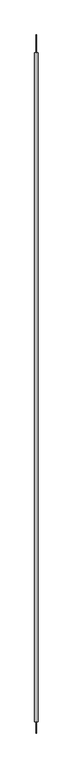
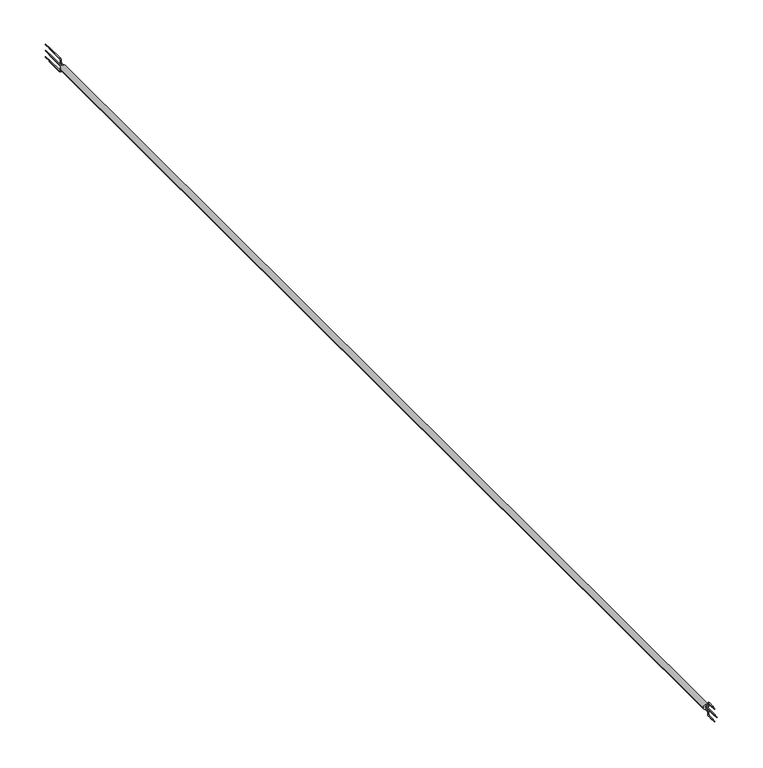
"""IFC4 building model written with IfcOpenShell, lengths in millimetres: proxy geometry."""

from ifc_helpers import new_model, si_unit, point, frame, origin, place, context, project, spatial, circle_curve, ellipse_curve, trimmed, source, transform, mapped, element, save
from ifc_brep_helpers import plane_surface, cylinder_surface, revolved_surface, advanced_brep


def generic_models_bc4eeb76(model_context):
    return source(origin(), model_context, "Body", "AdvancedBrep", [
        advanced_brep(
        [(3.85, 0.0, 0.0), (3.85, 1500.0, 0.0), (0.409828, 1500.0, 3.828125), (-0.409828, 1500.0, 3.828125), (-3.85, 1500.0, 0.0), (-3.85, 0.0, 0.0), (-0.409828, 0.0, 3.828125), (0.409828, 0.0, 3.828125), (-0.75, 1500.0, -3.2), (-0.75, 1503.0, -3.2), (0.0, 1503.0, -3.95), (0.75, 1503.0, -3.2), (0.75, 1500.0, -3.2), (0.409828, 1500.0, -3.828125), (-0.409828, 1500.0, -3.828125), (0.0, 1503.0, -2.45), (0.0, 1505.75, -5.2), (-0.75, 1505.0, -5.2), (0.0, 1504.25, -5.2), (-0.75, 1505.0, -7.0), (0.0, 1504.25, -7.0), (0.75, 1505.0, -7.0), (0.75, 1505.0, -5.2), (0.0, 1507.0, -9.75), (0.75, 1507.0, -9.0), (0.0, 1507.0, -8.25), (0.0, 1505.75, -7.0), (-0.75, 1507.0, -9.0), (-0.75, 1530.0, -9.0), (0.75, 1530.0, -9.0), (-0.75, 1500.0, 0.0), (-0.75, 1530.0, 0.0), (0.75, 1530.0, 0.0), (0.75, 1500.0, 0.0), (-0.35, 1530.0, 0.0), (-0.35, 1540.0, 0.0), (0.35, 1540.0, 0.0), (0.35, 1530.0, 0.0), (-0.35, 1530.0, -9.0), (-0.35, 1540.0, -9.0), (0.35, 1540.0, -9.0), (0.35, 1530.0, -9.0), (-0.75, 1500.0, 3.2), (-0.75, 1503.0, 3.2), (0.0, 1503.0, 2.45), (0.75, 1503.0, 3.2), (0.75, 1500.0, 3.2), (0.0, 1505.75, 5.2), (0.75, 1505.0, 5.2), (0.0, 1504.25, 5.2), (0.0, 1503.0, 3.95), (-0.75, 1505.0, 5.2), (-0.75, 1505.0, 7.0), (0.0, 1505.75, 7.0), (0.75, 1505.0, 7.0), (0.0, 1504.25, 7.0), (0.0, 1507.0, 9.75), (-0.75, 1507.0, 9.0), (0.0, 1507.0, 8.25), (-0.75, 1530.0, 9.0), (0.75, 1530.0, 9.0), (0.75, 1507.0, 9.0), (-0.35, 1530.0, 9.0), (-0.35, 1540.0, 9.0), (0.35, 1540.0, 9.0), (0.35, 1530.0, 9.0), (-0.75, 0.0, -3.2), (-0.75, -3.0, -3.2), (0.0, -3.0, -2.45), (0.75, -3.0, -3.2), (0.75, 0.0, -3.2), (0.0, -5.75, -5.2), (0.75, -5.0, -5.2), (0.0, -4.25, -5.2), (0.0, -3.0, -3.95), (-0.75, -5.0, -5.2), (-0.75, -5.0, -7.0), (0.0, -5.75, -7.0), (0.75, -5.0, -7.0), (0.0, -4.25, -7.0), (0.0, -7.0, -9.75), (-0.75, -7.0, -9.0), (0.0, -7.0, -8.25), (-0.75, -15.0, -9.0), (0.75, -15.0, -9.0), (0.75, -7.0, -9.0), (-0.35, -15.0, -9.0), (-0.35, -20.0, -9.0), (0.35, -20.0, -9.0), (0.35, -15.0, -9.0), (-0.75, 0.0, 0.0), (-0.75, -20.0, 0.0), (0.75, -20.0, 0.0), (0.75, 0.0, 0.0), (-0.35, -20.0, 0.0), (-0.35, -25.0, 0.0), (0.35, -25.0, 0.0), (0.35, -20.0, 0.0), (-0.75, 0.0, 3.2), (-0.75, -3.0, 3.2), (0.0, -3.0, 3.95), (0.75, -3.0, 3.2), (0.75, 0.0, 3.2), (0.0, -3.0, 2.45), (0.0, -5.75, 5.2), (-0.75, -5.0, 5.2), (0.0, -4.25, 5.2), (-0.75, -5.0, 7.0), (0.0, -4.25, 7.0), (0.75, -5.0, 7.0), (0.75, -5.0, 5.2), (0.0, -7.0, 9.75), (0.75, -7.0, 9.0), (0.0, -7.0, 8.25), (0.0, -5.75, 7.0), (-0.75, -7.0, 9.0), (-0.75, -15.0, 9.0), (0.75, -15.0, 9.0), (-0.35, -15.0, 9.0), (-0.35, -20.0, 9.0), (0.35, -20.0, 9.0), (0.35, -15.0, 9.0), (-0.409828, 0.0, -3.828125), (0.409828, 0.0, -3.828125)],
        [
            (0, 1),
            (1, 2, circle_curve(frame((0.0, 1500.0, 0.0), z_axis=(0.0, -1.0, 0.0), x_axis=(1.0, 0.0, 0.0)), 3.85)),
            (2, 3, circle_curve(frame((0.0, 1500.0, 0.0), z_axis=(0.0, -1.0, 0.0), x_axis=(1.0, 0.0, 0.0)), 3.85)),
            (3, 4, circle_curve(frame((0.0, 1500.0, 0.0), z_axis=(0.0, -1.0, 0.0), x_axis=(1.0, 0.0, 0.0)), 3.85)),
            (4, 5),
            (5, 6, circle_curve(frame((0.0, 0.0, 0.0), z_axis=(0.0, 1.0, 0.0), x_axis=(1.0, 0.0, 0.0)), 3.85)),
            (6, 7, circle_curve(frame((0.0, 0.0, 0.0), z_axis=(0.0, 1.0, 0.0), x_axis=(1.0, 0.0, 0.0)), 3.85)),
            (7, 0, circle_curve(frame((0.0, 0.0, 0.0), z_axis=(0.0, 1.0, 0.0), x_axis=(1.0, 0.0, 0.0)), 3.85)),
            (8, 9),
            (9, 10, circle_curve(frame((0.0, 1503.0, -3.2), z_axis=(0.0, -1.0, 0.0), x_axis=(-1.0, 0.0, 0.0)), 0.75)),
            (10, 11, circle_curve(frame((0.0, 1503.0, -3.2), z_axis=(0.0, -1.0, 0.0), x_axis=(-1.0, 0.0, 0.0)), 0.75)),
            (11, 12),
            (12, 13, circle_curve(frame((0.0, 1500.0, -3.2), z_axis=(0.0, 1.0, 0.0), x_axis=(-1.0, 0.0, 0.0)), 0.75)),
            (13, 14, circle_curve(frame((0.0, 1500.0, -3.2), z_axis=(0.0, 1.0, 0.0), x_axis=(-1.0, 0.0, 0.0)), 0.75)),
            (14, 8, circle_curve(frame((0.0, 1500.0, -3.2), z_axis=(0.0, 1.0, 0.0), x_axis=(-1.0, 0.0, 0.0)), 0.75)),
            (15, 16, circle_curve(frame((0.0, 1503.0, -5.2), z_axis=(-1.0, 0.0, 0.0), x_axis=(0.0, 0.0, 1.0)), 2.75)),
            (16, 17, circle_curve(frame((0.0, 1505.0, -5.2), z_axis=(0.0, 0.0, 1.0), x_axis=(0.0, 1.0, 0.0)), 0.75)),
            (17, 18, circle_curve(frame((0.0, 1505.0, -5.2), z_axis=(0.0, 0.0, 1.0), x_axis=(0.0, 1.0, 0.0)), 0.75)),
            (18, 10, circle_curve(frame((0.0, 1503.0, -5.2), z_axis=(1.0, 0.0, 0.0), x_axis=(0.0, 0.0, 1.0)), 1.25)),
            (9, 15, circle_curve(frame((0.0, 1503.0, -3.2), z_axis=(0.0, 1.0, 0.0), x_axis=(0.0, 0.0, 1.0)), 0.75)),
            (17, 19),
            (19, 20, circle_curve(frame((0.0, 1505.0, -7.0), z_axis=(0.0, 0.0, 1.0), x_axis=(-1.0, 0.0, 0.0)), 0.75)),
            (20, 21, circle_curve(frame((0.0, 1505.0, -7.0), z_axis=(0.0, 0.0, 1.0), x_axis=(-1.0, 0.0, 0.0)), 0.75)),
            (21, 22),
            (22, 18, circle_curve(frame((0.0, 1505.0, -5.2), z_axis=(0.0, 0.0, -1.0), x_axis=(-1.0, 0.0, 0.0)), 0.75)),
            (20, 23, circle_curve(frame((0.0, 1507.0, -7.0), z_axis=(1.0, 0.0, 0.0), x_axis=(0.0, -1.0, 0.0)), 2.75)),
            (23, 24, circle_curve(frame((0.0, 1507.0, -9.0), z_axis=(0.0, -1.0, 0.0), x_axis=(0.0, 0.0, -1.0)), 0.75)),
            (24, 25, circle_curve(frame((0.0, 1507.0, -9.0), z_axis=(0.0, -1.0, 0.0), x_axis=(0.0, 0.0, -1.0)), 0.75)),
            (25, 26, circle_curve(frame((0.0, 1507.0, -7.0), z_axis=(-1.0, 0.0, 0.0), x_axis=(0.0, -1.0, 0.0)), 1.25)),
            (26, 21, circle_curve(frame((0.0, 1505.0, -7.0), z_axis=(0.0, 0.0, -1.0), x_axis=(0.0, -1.0, 0.0)), 0.75)),
            (27, 28),
            (28, 29, circle_curve(frame((0.0, 1530.0, -9.0), z_axis=(0.0, -1.0, 0.0), x_axis=(-1.0, 0.0, 0.0)), 0.75)),
            (29, 24),
            (23, 27, circle_curve(frame((0.0, 1507.0, -9.0), z_axis=(0.0, 1.0, 0.0), x_axis=(-1.0, 0.0, 0.0)), 0.75)),
            (30, 31),
            (31, 32, circle_curve(frame((0.0, 1530.0, 0.0), z_axis=(0.0, -1.0, 0.0), x_axis=(-1.0, 0.0, 0.0)), 0.75)),
            (32, 33),
            (33, 30, circle_curve(frame((0.0, 1500.0, 0.0), z_axis=(0.0, 1.0, 0.0), x_axis=(-1.0, 0.0, 0.0)), 0.75)),
            (34, 35),
            (35, 36, circle_curve(frame((0.0, 1540.0, 0.0), z_axis=(0.0, -1.0, 0.0), x_axis=(-1.0, 0.0, 0.0)), 0.35)),
            (36, 37),
            (37, 34, circle_curve(frame((0.0, 1530.0, 0.0), z_axis=(0.0, 1.0, 0.0), x_axis=(-1.0, 0.0, 0.0)), 0.35)),
            (38, 39),
            (39, 40, circle_curve(frame((0.0, 1540.0, -9.0), z_axis=(0.0, -1.0, 0.0), x_axis=(-1.0, 0.0, 0.0)), 0.35)),
            (40, 41),
            (41, 38, circle_curve(frame((0.0, 1530.0, -9.0), z_axis=(0.0, 1.0, 0.0), x_axis=(-1.0, 0.0, 0.0)), 0.35)),
            (42, 43),
            (43, 44, circle_curve(frame((0.0, 1503.0, 3.2), z_axis=(0.0, -1.0, 0.0), x_axis=(-1.0, 0.0, 0.0)), 0.75)),
            (44, 45, circle_curve(frame((0.0, 1503.0, 3.2), z_axis=(0.0, -1.0, 0.0), x_axis=(-1.0, 0.0, 0.0)), 0.75)),
            (45, 46),
            (46, 42, circle_curve(frame((0.0, 1500.0, 3.2), z_axis=(0.0, 1.0, 0.0), x_axis=(-1.0, 0.0, 0.0)), 0.75)),
            (44, 47, circle_curve(frame((0.0, 1503.0, 5.2), z_axis=(1.0, 0.0, 0.0), x_axis=(0.0, 0.0, -1.0)), 2.75)),
            (47, 48, circle_curve(frame((0.0, 1505.0, 5.2), z_axis=(0.0, 0.0, -1.0), x_axis=(0.0, 1.0, 0.0)), 0.75)),
            (48, 49, circle_curve(frame((0.0, 1505.0, 5.2), z_axis=(0.0, 0.0, -1.0), x_axis=(0.0, 1.0, 0.0)), 0.75)),
            (49, 50, circle_curve(frame((0.0, 1503.0, 5.2), z_axis=(-1.0, 0.0, 0.0), x_axis=(0.0, 0.0, -1.0)), 1.25)),
            (50, 45, circle_curve(frame((0.0, 1503.0, 3.2), z_axis=(0.0, 1.0, 0.0), x_axis=(0.0, 0.0, -1.0)), 0.75)),
            (51, 52),
            (52, 53, circle_curve(frame((0.0, 1505.0, 7.0), z_axis=(0.0, 0.0, -1.0), x_axis=(-1.0, 0.0, 0.0)), 0.75)),
            (53, 54, circle_curve(frame((0.0, 1505.0, 7.0), z_axis=(0.0, 0.0, -1.0), x_axis=(-1.0, 0.0, 0.0)), 0.75)),
            (54, 48),
            (47, 51, circle_curve(frame((0.0, 1505.0, 5.2), z_axis=(0.0, 0.0, 1.0), x_axis=(-1.0, 0.0, 0.0)), 0.75)),
            (55, 56, circle_curve(frame((0.0, 1507.0, 7.0), z_axis=(-1.0, 0.0, 0.0), x_axis=(0.0, -1.0, 0.0)), 2.75)),
            (56, 57, circle_curve(frame((0.0, 1507.0, 9.0), z_axis=(0.0, -1.0, 0.0), x_axis=(0.0, 0.0, 1.0)), 0.75)),
            (57, 58, circle_curve(frame((0.0, 1507.0, 9.0), z_axis=(0.0, -1.0, 0.0), x_axis=(0.0, 0.0, 1.0)), 0.75)),
            (58, 53, circle_curve(frame((0.0, 1507.0, 7.0), z_axis=(1.0, 0.0, 0.0), x_axis=(0.0, -1.0, 0.0)), 1.25)),
            (52, 55, circle_curve(frame((0.0, 1505.0, 7.0), z_axis=(0.0, 0.0, 1.0), x_axis=(0.0, -1.0, 0.0)), 0.75)),
            (57, 59),
            (59, 60, circle_curve(frame((0.0, 1530.0, 9.0), z_axis=(0.0, -1.0, 0.0), x_axis=(-1.0, 0.0, 0.0)), 0.75)),
            (60, 61),
            (61, 58, circle_curve(frame((0.0, 1507.0, 9.0), z_axis=(0.0, 1.0, 0.0), x_axis=(-1.0, 0.0, 0.0)), 0.75)),
            (62, 63),
            (63, 64, circle_curve(frame((0.0, 1540.0, 9.0), z_axis=(0.0, -1.0, 0.0), x_axis=(-1.0, 0.0, 0.0)), 0.35)),
            (64, 65),
            (65, 62, circle_curve(frame((0.0, 1530.0, 9.0), z_axis=(0.0, 1.0, 0.0), x_axis=(-1.0, 0.0, 0.0)), 0.35)),
            (66, 67),
            (67, 68, circle_curve(frame((0.0, -3.0, -3.2), z_axis=(0.0, 1.0, 0.0), x_axis=(-1.0, 0.0, 0.0)), 0.75)),
            (68, 69, circle_curve(frame((0.0, -3.0, -3.2), z_axis=(0.0, 1.0, 0.0), x_axis=(-1.0, 0.0, 0.0)), 0.75)),
            (69, 70),
            (70, 66, circle_curve(frame((0.0, 0.0, -3.2), z_axis=(0.0, -1.0, 0.0), x_axis=(-1.0, 0.0, 0.0)), 0.75)),
            (68, 71, circle_curve(frame((0.0, -3.0, -5.2), z_axis=(1.0, 0.0, 0.0), x_axis=(0.0, 0.0, 1.0)), 2.75)),
            (71, 72, circle_curve(frame((0.0, -5.0, -5.2), z_axis=(0.0, 0.0, 1.0), x_axis=(0.0, -1.0, 0.0)), 0.75)),
            (72, 73, circle_curve(frame((0.0, -5.0, -5.2), z_axis=(0.0, 0.0, 1.0), x_axis=(0.0, -1.0, 0.0)), 0.75)),
            (73, 74, circle_curve(frame((0.0, -3.0, -5.2), z_axis=(-1.0, 0.0, 0.0), x_axis=(0.0, 0.0, 1.0)), 1.25)),
            (74, 69, circle_curve(frame((0.0, -3.0, -3.2), z_axis=(0.0, -1.0, 0.0), x_axis=(0.0, 0.0, 1.0)), 0.75)),
            (75, 76),
            (76, 77, circle_curve(frame((0.0, -5.0, -7.0), z_axis=(0.0, 0.0, 1.0), x_axis=(-1.0, 0.0, 0.0)), 0.75)),
            (77, 78, circle_curve(frame((0.0, -5.0, -7.0), z_axis=(0.0, 0.0, 1.0), x_axis=(-1.0, 0.0, 0.0)), 0.75)),
            (78, 72),
            (71, 75, circle_curve(frame((0.0, -5.0, -5.2), z_axis=(0.0, 0.0, -1.0), x_axis=(-1.0, 0.0, 0.0)), 0.75)),
            (79, 80, circle_curve(frame((0.0, -7.0, -7.0), z_axis=(-1.0, 0.0, 0.0), x_axis=(0.0, 1.0, 0.0)), 2.75)),
            (80, 81, circle_curve(frame((0.0, -7.0, -9.0), z_axis=(0.0, 1.0, 0.0), x_axis=(0.0, 0.0, -1.0)), 0.75)),
            (81, 82, circle_curve(frame((0.0, -7.0, -9.0), z_axis=(0.0, 1.0, 0.0), x_axis=(0.0, 0.0, -1.0)), 0.75)),
            (82, 77, circle_curve(frame((0.0, -7.0, -7.0), z_axis=(1.0, 0.0, 0.0), x_axis=(0.0, 1.0, 0.0)), 1.25)),
            (76, 79, circle_curve(frame((0.0, -5.0, -7.0), z_axis=(0.0, 0.0, -1.0), x_axis=(0.0, 1.0, 0.0)), 0.75)),
            (81, 83),
            (83, 84, circle_curve(frame((0.0, -15.0, -9.0), z_axis=(0.0, 1.0, 0.0), x_axis=(-1.0, 0.0, 0.0)), 0.75)),
            (84, 85),
            (85, 82, circle_curve(frame((0.0, -7.0, -9.0), z_axis=(0.0, -1.0, 0.0), x_axis=(-1.0, 0.0, 0.0)), 0.75)),
            (86, 87),
            (87, 88, circle_curve(frame((0.0, -20.0, -9.0), z_axis=(0.0, 1.0, 0.0), x_axis=(-1.0, 0.0, 0.0)), 0.35)),
            (88, 89),
            (89, 86, circle_curve(frame((0.0, -15.0, -9.0), z_axis=(0.0, -1.0, 0.0), x_axis=(-1.0, 0.0, 0.0)), 0.35)),
            (90, 91),
            (91, 92, circle_curve(frame((0.0, -20.0, 0.0), z_axis=(0.0, 1.0, 0.0), x_axis=(-1.0, 0.0, 0.0)), 0.75)),
            (92, 93),
            (93, 90, circle_curve(frame((0.0, 0.0, 0.0), z_axis=(0.0, -1.0, 0.0), x_axis=(-1.0, 0.0, 0.0)), 0.75)),
            (94, 95),
            (95, 96, circle_curve(frame((0.0, -25.0, 0.0), z_axis=(0.0, 1.0, 0.0), x_axis=(-1.0, 0.0, 0.0)), 0.35)),
            (96, 97),
            (97, 94, circle_curve(frame((0.0, -20.0, 0.0), z_axis=(0.0, -1.0, 0.0), x_axis=(-1.0, 0.0, 0.0)), 0.35)),
            (98, 99),
            (99, 100, circle_curve(frame((0.0, -3.0, 3.2), z_axis=(0.0, 1.0, 0.0), x_axis=(-1.0, 0.0, 0.0)), 0.75)),
            (100, 101, circle_curve(frame((0.0, -3.0, 3.2), z_axis=(0.0, 1.0, 0.0), x_axis=(-1.0, 0.0, 0.0)), 0.75)),
            (101, 102),
            (102, 7, circle_curve(frame((0.0, 0.0, 3.2), z_axis=(0.0, -1.0, 0.0), x_axis=(-1.0, 0.0, 0.0)), 0.75)),
            (7, 6, circle_curve(frame((0.0, 0.0, 3.2), z_axis=(0.0, -1.0, 0.0), x_axis=(-1.0, 0.0, 0.0)), 0.75)),
            (6, 98, circle_curve(frame((0.0, 0.0, 3.2), z_axis=(0.0, -1.0, 0.0), x_axis=(-1.0, 0.0, 0.0)), 0.75)),
            (103, 104, circle_curve(frame((0.0, -3.0, 5.2), z_axis=(-1.0, 0.0, 0.0), x_axis=(0.0, 0.0, -1.0)), 2.75)),
            (104, 105, circle_curve(frame((0.0, -5.0, 5.2), z_axis=(0.0, 0.0, -1.0), x_axis=(0.0, -1.0, 0.0)), 0.75)),
            (105, 106, circle_curve(frame((0.0, -5.0, 5.2), z_axis=(0.0, 0.0, -1.0), x_axis=(0.0, -1.0, 0.0)), 0.75)),
            (106, 100, circle_curve(frame((0.0, -3.0, 5.2), z_axis=(1.0, 0.0, 0.0), x_axis=(0.0, 0.0, -1.0)), 1.25)),
            (99, 103, circle_curve(frame((0.0, -3.0, 3.2), z_axis=(0.0, -1.0, 0.0), x_axis=(0.0, 0.0, -1.0)), 0.75)),
            (105, 107),
            (107, 108, circle_curve(frame((0.0, -5.0, 7.0), z_axis=(0.0, 0.0, -1.0), x_axis=(-1.0, 0.0, 0.0)), 0.75)),
            (108, 109, circle_curve(frame((0.0, -5.0, 7.0), z_axis=(0.0, 0.0, -1.0), x_axis=(-1.0, 0.0, 0.0)), 0.75)),
            (109, 110),
            (110, 106, circle_curve(frame((0.0, -5.0, 5.2), z_axis=(0.0, 0.0, 1.0), x_axis=(-1.0, 0.0, 0.0)), 0.75)),
            (108, 111, circle_curve(frame((0.0, -7.0, 7.0), z_axis=(1.0, 0.0, 0.0), x_axis=(0.0, 1.0, 0.0)), 2.75)),
            (111, 112, circle_curve(frame((0.0, -7.0, 9.0), z_axis=(0.0, 1.0, 0.0), x_axis=(0.0, 0.0, 1.0)), 0.75)),
            (112, 113, circle_curve(frame((0.0, -7.0, 9.0), z_axis=(0.0, 1.0, 0.0), x_axis=(0.0, 0.0, 1.0)), 0.75)),
            (113, 114, circle_curve(frame((0.0, -7.0, 7.0), z_axis=(-1.0, 0.0, 0.0), x_axis=(0.0, 1.0, 0.0)), 1.25)),
            (114, 109, circle_curve(frame((0.0, -5.0, 7.0), z_axis=(0.0, 0.0, 1.0), x_axis=(0.0, 1.0, 0.0)), 0.75)),
            (115, 116),
            (116, 117, circle_curve(frame((0.0, -15.0, 9.0), z_axis=(0.0, 1.0, 0.0), x_axis=(-1.0, 0.0, 0.0)), 0.75)),
            (117, 112),
            (111, 115, circle_curve(frame((0.0, -7.0, 9.0), z_axis=(0.0, -1.0, 0.0), x_axis=(-1.0, 0.0, 0.0)), 0.75)),
            (118, 119),
            (119, 120, circle_curve(frame((0.0, -20.0, 9.0), z_axis=(0.0, 1.0, 0.0), x_axis=(-1.0, 0.0, 0.0)), 0.35)),
            (120, 121),
            (121, 118, circle_curve(frame((0.0, -15.0, 9.0), z_axis=(0.0, -1.0, 0.0), x_axis=(-1.0, 0.0, 0.0)), 0.35)),
            (118, 121, circle_curve(frame((0.0, -15.0, 9.0), z_axis=(0.0, -1.0, 0.0), x_axis=(-1.0, 0.0, 0.0)), 0.35)),
            (120, 119, circle_curve(frame((0.0, -20.0, 9.0), z_axis=(0.0, 1.0, 0.0), x_axis=(-1.0, 0.0, 0.0)), 0.35)),
            (115, 113, circle_curve(frame((0.0, -7.0, 9.0), z_axis=(0.0, -1.0, 0.0), x_axis=(-1.0, 0.0, 0.0)), 0.75)),
            (117, 116, circle_curve(frame((0.0, -15.0, 9.0), z_axis=(0.0, 1.0, 0.0), x_axis=(-1.0, 0.0, 0.0)), 0.75)),
            (107, 114, circle_curve(frame((0.0, -5.0, 7.0), z_axis=(0.0, 0.0, 1.0), x_axis=(0.0, 1.0, 0.0)), 0.75)),
            (104, 110, circle_curve(frame((0.0, -5.0, 5.2), z_axis=(0.0, 0.0, 1.0), x_axis=(-1.0, 0.0, 0.0)), 0.75)),
            (103, 101, circle_curve(frame((0.0, -3.0, 3.2), z_axis=(0.0, -1.0, 0.0), x_axis=(0.0, 0.0, -1.0)), 0.75)),
            (98, 102, circle_curve(frame((0.0, 0.0, 3.2), z_axis=(0.0, -1.0, 0.0), x_axis=(-1.0, 0.0, 0.0)), 0.75)),
            (94, 97, circle_curve(frame((0.0, -20.0, 0.0), z_axis=(0.0, -1.0, 0.0), x_axis=(-1.0, 0.0, 0.0)), 0.35)),
            (96, 95, circle_curve(frame((0.0, -25.0, 0.0), z_axis=(0.0, 1.0, 0.0), x_axis=(-1.0, 0.0, 0.0)), 0.35)),
            (90, 93, circle_curve(frame((0.0, 0.0, 0.0), z_axis=(0.0, -1.0, 0.0), x_axis=(-1.0, 0.0, 0.0)), 0.75)),
            (92, 91, circle_curve(frame((0.0, -20.0, 0.0), z_axis=(0.0, 1.0, 0.0), x_axis=(-1.0, 0.0, 0.0)), 0.75)),
            (86, 89, circle_curve(frame((0.0, -15.0, -9.0), z_axis=(0.0, -1.0, 0.0), x_axis=(-1.0, 0.0, 0.0)), 0.35)),
            (88, 87, circle_curve(frame((0.0, -20.0, -9.0), z_axis=(0.0, 1.0, 0.0), x_axis=(-1.0, 0.0, 0.0)), 0.35)),
            (80, 85, circle_curve(frame((0.0, -7.0, -9.0), z_axis=(0.0, -1.0, 0.0), x_axis=(-1.0, 0.0, 0.0)), 0.75)),
            (84, 83, circle_curve(frame((0.0, -15.0, -9.0), z_axis=(0.0, 1.0, 0.0), x_axis=(-1.0, 0.0, 0.0)), 0.75)),
            (79, 78, circle_curve(frame((0.0, -5.0, -7.0), z_axis=(0.0, 0.0, -1.0), x_axis=(0.0, 1.0, 0.0)), 0.75)),
            (75, 73, circle_curve(frame((0.0, -5.0, -5.2), z_axis=(0.0, 0.0, -1.0), x_axis=(-1.0, 0.0, 0.0)), 0.75)),
            (67, 74, circle_curve(frame((0.0, -3.0, -3.2), z_axis=(0.0, -1.0, 0.0), x_axis=(0.0, 0.0, 1.0)), 0.75)),
            (66, 122, circle_curve(frame((0.0, 0.0, -3.2), z_axis=(0.0, -1.0, 0.0), x_axis=(-1.0, 0.0, 0.0)), 0.75)),
            (122, 123, circle_curve(frame((0.0, 0.0, -3.2), z_axis=(0.0, -1.0, 0.0), x_axis=(-1.0, 0.0, 0.0)), 0.75)),
            (123, 70, circle_curve(frame((0.0, 0.0, -3.2), z_axis=(0.0, -1.0, 0.0), x_axis=(-1.0, 0.0, 0.0)), 0.75)),
            (122, 123, circle_curve(frame((0.0, 0.0, 0.0), z_axis=(0.0, -1.0, 0.0), x_axis=(1.0, 0.0, 0.0)), 3.85)),
            (62, 65, circle_curve(frame((0.0, 1530.0, 9.0), z_axis=(0.0, 1.0, 0.0), x_axis=(-1.0, 0.0, 0.0)), 0.35)),
            (64, 63, circle_curve(frame((0.0, 1540.0, 9.0), z_axis=(0.0, -1.0, 0.0), x_axis=(-1.0, 0.0, 0.0)), 0.35)),
            (56, 61, circle_curve(frame((0.0, 1507.0, 9.0), z_axis=(0.0, 1.0, 0.0), x_axis=(-1.0, 0.0, 0.0)), 0.75)),
            (60, 59, circle_curve(frame((0.0, 1530.0, 9.0), z_axis=(0.0, -1.0, 0.0), x_axis=(-1.0, 0.0, 0.0)), 0.75)),
            (55, 54, circle_curve(frame((0.0, 1505.0, 7.0), z_axis=(0.0, 0.0, 1.0), x_axis=(0.0, -1.0, 0.0)), 0.75)),
            (51, 49, circle_curve(frame((0.0, 1505.0, 5.2), z_axis=(0.0, 0.0, 1.0), x_axis=(-1.0, 0.0, 0.0)), 0.75)),
            (43, 50, circle_curve(frame((0.0, 1503.0, 3.2), z_axis=(0.0, 1.0, 0.0), x_axis=(0.0, 0.0, -1.0)), 0.75)),
            (42, 3, circle_curve(frame((0.0, 1500.0, 3.2), z_axis=(0.0, 1.0, 0.0), x_axis=(-1.0, 0.0, 0.0)), 0.75)),
            (3, 2, circle_curve(frame((0.0, 1500.0, 3.2), z_axis=(0.0, 1.0, 0.0), x_axis=(-1.0, 0.0, 0.0)), 0.75)),
            (2, 46, circle_curve(frame((0.0, 1500.0, 3.2), z_axis=(0.0, 1.0, 0.0), x_axis=(-1.0, 0.0, 0.0)), 0.75)),
            (38, 41, circle_curve(frame((0.0, 1530.0, -9.0), z_axis=(0.0, 1.0, 0.0), x_axis=(-1.0, 0.0, 0.0)), 0.35)),
            (40, 39, circle_curve(frame((0.0, 1540.0, -9.0), z_axis=(0.0, -1.0, 0.0), x_axis=(-1.0, 0.0, 0.0)), 0.35)),
            (34, 37, circle_curve(frame((0.0, 1530.0, 0.0), z_axis=(0.0, 1.0, 0.0), x_axis=(-1.0, 0.0, 0.0)), 0.35)),
            (36, 35, circle_curve(frame((0.0, 1540.0, 0.0), z_axis=(0.0, -1.0, 0.0), x_axis=(-1.0, 0.0, 0.0)), 0.35)),
            (30, 33, circle_curve(frame((0.0, 1500.0, 0.0), z_axis=(0.0, 1.0, 0.0), x_axis=(-1.0, 0.0, 0.0)), 0.75)),
            (32, 31, circle_curve(frame((0.0, 1530.0, 0.0), z_axis=(0.0, -1.0, 0.0), x_axis=(-1.0, 0.0, 0.0)), 0.75)),
            (27, 25, circle_curve(frame((0.0, 1507.0, -9.0), z_axis=(0.0, 1.0, 0.0), x_axis=(-1.0, 0.0, 0.0)), 0.75)),
            (29, 28, circle_curve(frame((0.0, 1530.0, -9.0), z_axis=(0.0, -1.0, 0.0), x_axis=(-1.0, 0.0, 0.0)), 0.75)),
            (19, 26, circle_curve(frame((0.0, 1505.0, -7.0), z_axis=(0.0, 0.0, -1.0), x_axis=(0.0, -1.0, 0.0)), 0.75)),
            (16, 22, circle_curve(frame((0.0, 1505.0, -5.2), z_axis=(0.0, 0.0, -1.0), x_axis=(-1.0, 0.0, 0.0)), 0.75)),
            (15, 11, circle_curve(frame((0.0, 1503.0, -3.2), z_axis=(0.0, 1.0, 0.0), x_axis=(0.0, 0.0, 1.0)), 0.75)),
            (8, 12, circle_curve(frame((0.0, 1500.0, -3.2), z_axis=(0.0, 1.0, 0.0), x_axis=(-1.0, 0.0, 0.0)), 0.75)),
            (13, 14, circle_curve(frame((0.0, 1500.0, 0.0), z_axis=(0.0, 1.0, 0.0), x_axis=(1.0, 0.0, 0.0)), 3.85)),
            (0, 123, circle_curve(frame((0.0, 0.0, 0.0), z_axis=(0.0, 1.0, 0.0), x_axis=(1.0, 0.0, 0.0)), 3.85)),
            (122, 5, circle_curve(frame((0.0, 0.0, 0.0), z_axis=(0.0, 1.0, 0.0), x_axis=(1.0, 0.0, 0.0)), 3.85)),
            (4, 14, circle_curve(frame((0.0, 1500.0, 0.0), z_axis=(0.0, -1.0, 0.0), x_axis=(1.0, 0.0, 0.0)), 3.85)),
            (13, 1, circle_curve(frame((0.0, 1500.0, 0.0), z_axis=(0.0, -1.0, 0.0), x_axis=(1.0, 0.0, 0.0)), 3.85)),
        ],
        [
            cylinder_surface(frame((0.0, 0.0, 0.0), z_axis=(0.0, 1.0, 0.0), x_axis=(1.0, 0.0, 0.0)), 3.85),
            cylinder_surface(frame((0.0, 1500.0, -3.2), z_axis=(0.0, 1.0, 0.0), x_axis=(-1.0, 0.0, 0.0)), 0.75),
            revolved_surface(trimmed(ellipse_curve(frame((0.0, 1503.0, -3.2), z_axis=(0.0, -1.0, 0.0), x_axis=(0.0, 0.0, 1.0)), 0.75, 0.75), [point((0.0, 1503.0, -2.45))], [point((0.0, 1503.0, -3.95))], True, "CARTESIAN"), (0.0, 1503.0, -5.2), (-1.0, 0.0, 0.0)),
            cylinder_surface(frame((0.0, 1505.0, -5.2), z_axis=(0.0, 0.0, -1.0), x_axis=(-1.0, 0.0, 0.0)), 0.75),
            revolved_surface(trimmed(ellipse_curve(frame((0.0, 1505.0, -7.0), z_axis=(0.0, 0.0, 1.0), x_axis=(0.0, -1.0, 0.0)), 0.75, 0.75), [point((0.0, 1504.25, -7.0))], [point((0.0, 1505.75, -7.0))], True, "CARTESIAN"), (0.0, 1507.0, -7.0), (1.0, 0.0, 0.0)),
            cylinder_surface(frame((0.0, 1507.0, -9.0), z_axis=(0.0, 1.0, 0.0), x_axis=(-1.0, 0.0, 0.0)), 0.75),
            cylinder_surface(frame((0.0, 1500.0, 0.0), z_axis=(0.0, 1.0, 0.0), x_axis=(-1.0, 0.0, 0.0)), 0.75),
            cylinder_surface(frame((0.0, 1530.0, 0.0), z_axis=(0.0, 1.0, 0.0), x_axis=(-1.0, 0.0, 0.0)), 0.35),
            cylinder_surface(frame((0.0, 1530.0, -9.0), z_axis=(0.0, 1.0, 0.0), x_axis=(-1.0, 0.0, 0.0)), 0.35),
            cylinder_surface(frame((0.0, 1500.0, 3.2), z_axis=(0.0, -1.0, 0.0), x_axis=(-1.0, 0.0, 0.0)), 0.75),
            revolved_surface(trimmed(ellipse_curve(frame((0.0, 1503.0, 3.2), z_axis=(0.0, -1.0, 0.0), x_axis=(0.0, 0.0, -1.0)), 0.75, 0.75), [point((0.0, 1503.0, 2.45))], [point((0.0, 1503.0, 3.95))], True, "CARTESIAN"), (0.0, 1503.0, 5.2), (1.0, 0.0, 0.0)),
            cylinder_surface(frame((0.0, 1505.0, 5.2), z_axis=(0.0, 0.0, -1.0), x_axis=(-1.0, 0.0, 0.0)), 0.75),
            revolved_surface(trimmed(ellipse_curve(frame((0.0, 1505.0, 7.0), z_axis=(0.0, 0.0, -1.0), x_axis=(0.0, -1.0, 0.0)), 0.75, 0.75), [point((0.0, 1504.25, 7.0))], [point((0.0, 1505.75, 7.0))], True, "CARTESIAN"), (0.0, 1507.0, 7.0), (-1.0, 0.0, 0.0)),
            cylinder_surface(frame((0.0, 1507.0, 9.0), z_axis=(0.0, -1.0, 0.0), x_axis=(-1.0, 0.0, 0.0)), 0.75),
            cylinder_surface(frame((0.0, 1530.0, 9.0), z_axis=(0.0, -1.0, 0.0), x_axis=(-1.0, 0.0, 0.0)), 0.35),
            cylinder_surface(frame((0.0, 0.0, -3.2), z_axis=(0.0, 1.0, 0.0), x_axis=(-1.0, 0.0, 0.0)), 0.75),
            revolved_surface(trimmed(ellipse_curve(frame((0.0, -3.0, -3.2), z_axis=(0.0, 1.0, 0.0), x_axis=(0.0, 0.0, 1.0)), 0.75, 0.75), [point((0.0, -3.0, -2.45))], [point((0.0, -3.0, -3.95))], True, "CARTESIAN"), (0.0, -3.0, -5.2), (1.0, 0.0, 0.0)),
            cylinder_surface(frame((0.0, -5.0, -5.2), z_axis=(0.0, 0.0, 1.0), x_axis=(-1.0, 0.0, 0.0)), 0.75),
            revolved_surface(trimmed(ellipse_curve(frame((0.0, -5.0, -7.0), z_axis=(0.0, 0.0, 1.0), x_axis=(0.0, 1.0, 0.0)), 0.75, 0.75), [point((0.0, -4.25, -7.0))], [point((0.0, -5.75, -7.0))], True, "CARTESIAN"), (0.0, -7.0, -7.0), (-1.0, 0.0, 0.0)),
            cylinder_surface(frame((0.0, -7.0, -9.0), z_axis=(0.0, 1.0, 0.0), x_axis=(-1.0, 0.0, 0.0)), 0.75),
            cylinder_surface(frame((0.0, -15.0, -9.0), z_axis=(0.0, 1.0, 0.0), x_axis=(-1.0, 0.0, 0.0)), 0.35),
            cylinder_surface(frame((0.0, 0.0, 0.0), z_axis=(0.0, 1.0, 0.0), x_axis=(-1.0, 0.0, 0.0)), 0.75),
            cylinder_surface(frame((0.0, -20.0, 0.0), z_axis=(0.0, 1.0, 0.0), x_axis=(-1.0, 0.0, 0.0)), 0.35),
            cylinder_surface(frame((0.0, 0.0, 3.2), z_axis=(0.0, -1.0, 0.0), x_axis=(-1.0, 0.0, 0.0)), 0.75),
            revolved_surface(trimmed(ellipse_curve(frame((0.0, -3.0, 3.2), z_axis=(0.0, 1.0, 0.0), x_axis=(0.0, 0.0, -1.0)), 0.75, 0.75), [point((0.0, -3.0, 2.45))], [point((0.0, -3.0, 3.95))], True, "CARTESIAN"), (0.0, -3.0, 5.2), (-1.0, 0.0, 0.0)),
            cylinder_surface(frame((0.0, -5.0, 5.2), z_axis=(0.0, 0.0, 1.0), x_axis=(-1.0, 0.0, 0.0)), 0.75),
            revolved_surface(trimmed(ellipse_curve(frame((0.0, -5.0, 7.0), z_axis=(0.0, 0.0, -1.0), x_axis=(0.0, 1.0, 0.0)), 0.75, 0.75), [point((0.0, -4.25, 7.0))], [point((0.0, -5.75, 7.0))], True, "CARTESIAN"), (0.0, -7.0, 7.0), (1.0, 0.0, 0.0)),
            cylinder_surface(frame((0.0, -7.0, 9.0), z_axis=(0.0, -1.0, 0.0), x_axis=(-1.0, 0.0, 0.0)), 0.75),
            cylinder_surface(frame((0.0, -15.0, 9.0), z_axis=(0.0, -1.0, 0.0), x_axis=(-1.0, 0.0, 0.0)), 0.35),
            plane_surface(frame((0.0, -20.0, 9.0), z_axis=(0.0, -1.0, 0.0), x_axis=(0.0, 0.0, -1.0))),
            revolved_surface(trimmed(ellipse_curve(frame((0.0, -5.0, 7.0), z_axis=(0.0, 0.0, -1.0), x_axis=(0.0, 1.0, 0.0)), 0.75, 0.75), [point((0.0, -5.75, 7.0))], [point((0.0, -4.25, 7.0))], True, "CARTESIAN"), (0.0, -7.0, 7.0), (1.0, 0.0, 0.0)),
            revolved_surface(trimmed(ellipse_curve(frame((0.0, -3.0, 3.2), z_axis=(0.0, 1.0, 0.0), x_axis=(0.0, 0.0, -1.0)), 0.75, 0.75), [point((0.0, -3.0, 3.95))], [point((0.0, -3.0, 2.45))], True, "CARTESIAN"), (0.0, -3.0, 5.2), (-1.0, 0.0, 0.0)),
            plane_surface(frame((0.0, -15.0, 9.0), z_axis=(0.0, -1.0, 0.0), x_axis=(0.0, 0.0, -1.0))),
            plane_surface(frame((0.0, 0.0, 3.2), z_axis=(0.0, 1.0, 0.0), x_axis=(0.0, 0.0, -1.0))),
            plane_surface(frame((0.0, -25.0, 0.0), z_axis=(0.0, -1.0, 0.0), x_axis=(0.0, 0.0, 1.0))),
            plane_surface(frame((0.0, -20.0, 0.0), z_axis=(0.0, -1.0, 0.0), x_axis=(0.0, 0.0, 1.0))),
            plane_surface(frame((0.0, -20.0, -9.0), z_axis=(0.0, -1.0, 0.0), x_axis=(0.0, 0.0, 1.0))),
            revolved_surface(trimmed(ellipse_curve(frame((0.0, -5.0, -7.0), z_axis=(0.0, 0.0, 1.0), x_axis=(0.0, 1.0, 0.0)), 0.75, 0.75), [point((0.0, -5.75, -7.0))], [point((0.0, -4.25, -7.0))], True, "CARTESIAN"), (0.0, -7.0, -7.0), (-1.0, 0.0, 0.0)),
            revolved_surface(trimmed(ellipse_curve(frame((0.0, -3.0, -3.2), z_axis=(0.0, 1.0, 0.0), x_axis=(0.0, 0.0, 1.0)), 0.75, 0.75), [point((0.0, -3.0, -3.95))], [point((0.0, -3.0, -2.45))], True, "CARTESIAN"), (0.0, -3.0, -5.2), (1.0, 0.0, 0.0)),
            plane_surface(frame((0.0, -15.0, -9.0), z_axis=(0.0, -1.0, 0.0), x_axis=(0.0, 0.0, 1.0))),
            plane_surface(frame((0.0, 0.0, -3.2), z_axis=(0.0, 1.0, 0.0), x_axis=(0.0, 0.0, 1.0))),
            plane_surface(frame((0.0, 1540.0, 9.0), z_axis=(0.0, 1.0, 0.0), x_axis=(0.0, 0.0, -1.0))),
            revolved_surface(trimmed(ellipse_curve(frame((0.0, 1505.0, 7.0), z_axis=(0.0, 0.0, -1.0), x_axis=(0.0, -1.0, 0.0)), 0.75, 0.75), [point((0.0, 1505.75, 7.0))], [point((0.0, 1504.25, 7.0))], True, "CARTESIAN"), (0.0, 1507.0, 7.0), (-1.0, 0.0, 0.0)),
            revolved_surface(trimmed(ellipse_curve(frame((0.0, 1503.0, 3.2), z_axis=(0.0, -1.0, 0.0), x_axis=(0.0, 0.0, -1.0)), 0.75, 0.75), [point((0.0, 1503.0, 3.95))], [point((0.0, 1503.0, 2.45))], True, "CARTESIAN"), (0.0, 1503.0, 5.2), (1.0, 0.0, 0.0)),
            plane_surface(frame((0.0, 1530.0, 9.0), z_axis=(0.0, 1.0, 0.0), x_axis=(0.0, 0.0, -1.0))),
            plane_surface(frame((0.0, 1500.0, 3.2), z_axis=(0.0, -1.0, 0.0), x_axis=(0.0, 0.0, -1.0))),
            plane_surface(frame((0.0, 1540.0, -9.0), z_axis=(0.0, 1.0, 0.0), x_axis=(0.0, 0.0, 1.0))),
            plane_surface(frame((0.0, 1540.0, 0.0), z_axis=(0.0, 1.0, 0.0), x_axis=(0.0, 0.0, 1.0))),
            plane_surface(frame((0.0, 1530.0, 0.0), z_axis=(0.0, 1.0, 0.0), x_axis=(0.0, 0.0, 1.0))),
            revolved_surface(trimmed(ellipse_curve(frame((0.0, 1505.0, -7.0), z_axis=(0.0, 0.0, 1.0), x_axis=(0.0, -1.0, 0.0)), 0.75, 0.75), [point((0.0, 1505.75, -7.0))], [point((0.0, 1504.25, -7.0))], True, "CARTESIAN"), (0.0, 1507.0, -7.0), (1.0, 0.0, 0.0)),
            revolved_surface(trimmed(ellipse_curve(frame((0.0, 1503.0, -3.2), z_axis=(0.0, -1.0, 0.0), x_axis=(0.0, 0.0, 1.0)), 0.75, 0.75), [point((0.0, 1503.0, -3.95))], [point((0.0, 1503.0, -2.45))], True, "CARTESIAN"), (0.0, 1503.0, -5.2), (-1.0, 0.0, 0.0)),
            plane_surface(frame((0.0, 1530.0, -9.0), z_axis=(0.0, 1.0, 0.0), x_axis=(0.0, 0.0, 1.0))),
            plane_surface(frame((0.0, 1500.0, -3.2), z_axis=(0.0, -1.0, 0.0), x_axis=(0.0, 0.0, 1.0))),
            plane_surface(frame((0.0, 0.0, 0.0), z_axis=(0.0, -1.0, 0.0), x_axis=(0.0, 0.0, 1.0))),
            plane_surface(frame((0.0, 1500.0, 0.0), z_axis=(0.0, 1.0, 0.0), x_axis=(0.0, 0.0, 1.0))),
        ],
        [
            (0, [[1, 2, 3, 4, 5, 6, 7, 8]]),
            (1, [[9, 10, 11, 12, 13, 14, 15]]),
            (2, [[16, 17, 18, 19, -10, 20]]),
            (3, [[21, 22, 23, 24, 25, -18]]),
            (4, [[26, 27, 28, 29, 30, -23]]),
            (5, [[31, 32, 33, -27, 34]]),
            (6, [[35, 36, 37, 38]]),
            (7, [[39, 40, 41, 42]]),
            (8, [[43, 44, 45, 46]]),
            (9, [[47, 48, 49, 50, 51]]),
            (10, [[52, 53, 54, 55, 56, -49]]),
            (11, [[57, 58, 59, 60, -53, 61]]),
            (12, [[62, 63, 64, 65, -58, 66]]),
            (13, [[67, 68, 69, 70, -64]]),
            (14, [[71, 72, 73, 74]]),
            (15, [[75, 76, 77, 78, 79]]),
            (16, [[80, 81, 82, 83, 84, -77]]),
            (17, [[85, 86, 87, 88, -81, 89]]),
            (18, [[90, 91, 92, 93, -86, 94]]),
            (19, [[95, 96, 97, 98, -92]]),
            (20, [[99, 100, 101, 102]]),
            (21, [[103, 104, 105, 106]]),
            (22, [[107, 108, 109, 110]]),
            (23, [[111, 112, 113, 114, 115, 116, 117]]),
            (24, [[118, 119, 120, 121, -112, 122]]),
            (25, [[123, 124, 125, 126, 127, -120]]),
            (26, [[128, 129, 130, 131, 132, -125]]),
            (27, [[133, 134, 135, -129, 136]]),
            (28, [[137, 138, 139, 140]]),
            (28, [[-137, 141, -139, 142]]),
            (29, [[-138, -142]]),
            (27, [[-133, 143, -130, -135, 144]]),
            (30, [[-128, -124, 145, -131, -143, -136]]),
            (25, [[-123, -119, 146, -126, -132, -145]]),
            (31, [[-118, 147, -113, -121, -127, -146]]),
            (23, [[-111, 148, -114, -147, -122]]),
            (32, [[-134, -144], [-141, -140]]),
            (33, [[-7, -116]]),
            (22, [[-107, 149, -109, 150]]),
            (34, [[-150, -108]]),
            (21, [[-103, 151, -105, 152]]),
            (35, [[-104, -152], [-110, -149]]),
            (20, [[-99, 153, -101, 154]]),
            (36, [[-154, -100]]),
            (19, [[-95, -91, 155, -97, 156]]),
            (37, [[-90, 157, -87, -93, -98, -155]]),
            (17, [[-85, 158, -82, -88, -157, -94]]),
            (38, [[-80, -76, 159, -83, -158, -89]]),
            (15, [[-75, 160, 161, 162, -78, -84, -159]]),
            (39, [[-156, -96], [-102, -153]]),
            (40, [[163, -161]]),
            (14, [[-71, 164, -73, 165]]),
            (41, [[-165, -72]]),
            (13, [[-67, -63, 166, -69, 167]]),
            (42, [[-62, 168, -59, -65, -70, -166]]),
            (11, [[-57, 169, -54, -60, -168, -66]]),
            (43, [[-52, -48, 170, -55, -169, -61]]),
            (9, [[-47, 171, 172, 173, -50, -56, -170]]),
            (44, [[-167, -68], [-74, -164]]),
            (45, [[-3, -172]]),
            (8, [[-43, 174, -45, 175]]),
            (46, [[-44, -175]]),
            (7, [[-39, 176, -41, 177]]),
            (47, [[-40, -177]]),
            (6, [[-35, 178, -37, 179]]),
            (48, [[-179, -36], [-176, -42]]),
            (5, [[-31, 180, -28, -33, 181]]),
            (49, [[-26, -22, 182, -29, -180, -34]]),
            (3, [[-21, -17, 183, -24, -30, -182]]),
            (50, [[-16, 184, -11, -19, -25, -183]]),
            (1, [[-9, 185, -12, -184, -20]]),
            (51, [[-32, -181], [-174, -46]]),
            (52, [[186, -14]]),
            (0, [[-1, 187, -163, 188, -5, 189, -186, 190]]),
            (53, [[-115, -148, -117, -6, -188, -160, -79, -162, -187, -8], [-151, -106]]),
            (54, [[-171, -51, -173, -2, -190, -13, -185, -15, -189, -4], [-178, -38]]),
        ],
    ),
    ])


if __name__ == "__main__":
    model = new_model("IFC4")
    model_context = context("Model", 3, world=origin())
    ifc_project = project(units=[si_unit("LENGTHUNIT", "METRE", prefix="MILLI")], contexts=[model_context])
    site = spatial("IfcSite", under=ifc_project)
    building = spatial("IfcBuilding", under=site)
    placement = place(None, origin())
    generic_models_shape = generic_models_bc4eeb76(model_context)
    element("IfcBuildingElementProxy", 1, Name="Generic Models", at=placement, inside=building, context=model_context, shape_type="MappedRepresentation", body=[
        mapped(generic_models_shape, transform((0.0, 0.0, 0.0), x_axis=(1.0, 0.0, 0.0), y_axis=(0.0, 1.0, 0.0), z_axis=(0.0, 0.0, 1.0))),
    ])
    save(model, "model.ifc")
